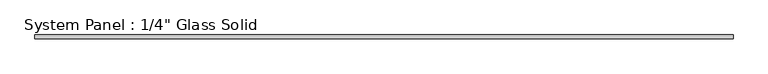
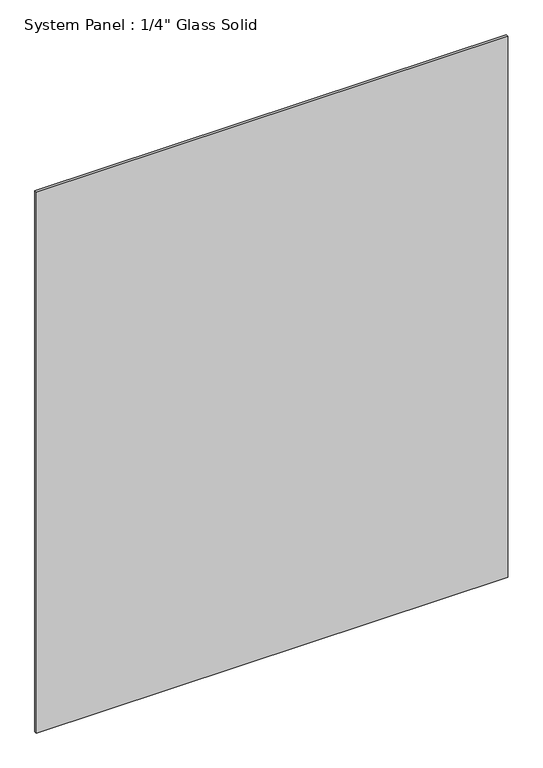
"""IFC4 building model written with IfcOpenShell, lengths in millimetres: plate geometry."""

from ifc_helpers import new_model, si_unit, origin, origin_with_axes, place, context, project, spatial, polyline, outline, extrude, source, transform, mapped, element, save


def plate_41faa621(model_context):
    return source(origin(), model_context, "Body", "SweptSolid", [
        extrude(outline(polyline([(584.2008852, -3.175), (-584.2008852, -3.175), (-584.2008852, 3.175), (584.2008852, 3.175), (584.2008852, -3.175)])), origin_with_axes(), (0.0, 0.0, 1.0), 1416.7991382),
    ])


if __name__ == "__main__":
    model = new_model("IFC4")
    model_context = context("Model", 3, world=origin())
    ifc_project = project(units=[si_unit("LENGTHUNIT", "METRE", prefix="MILLI")], contexts=[model_context])
    site = spatial("IfcSite", under=ifc_project)
    building = spatial("IfcBuilding", under=site)
    placement = place(None, origin())
    plate_shape = plate_41faa621(model_context)
    element("IfcPlate", 1, ObjectType="System Panel : 1/4\" Glass Solid", at=placement, inside=building, context=model_context, shape_type="MappedRepresentation", body=[
        mapped(plate_shape, transform((0.0, 0.0, 0.0), x_axis=(1.0, 0.0, 0.0), y_axis=(0.0, 1.0, 0.0), z_axis=(0.0, 0.0, 1.0))),
    ])
    save(model, "model.ifc")
